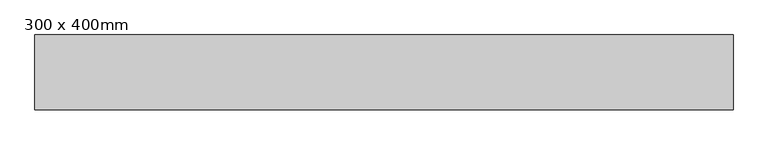
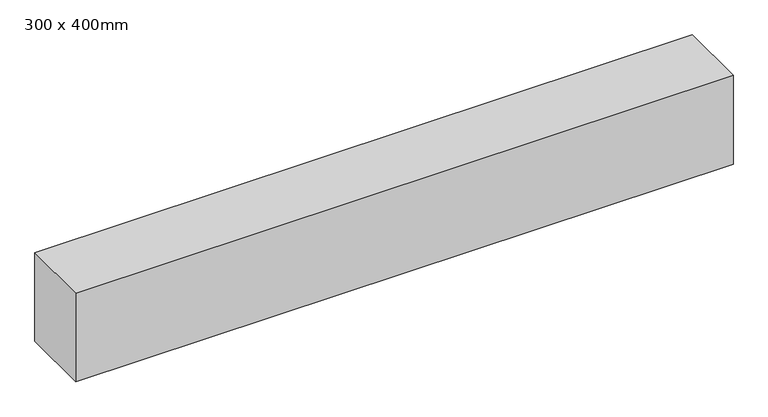
"""IFC4 building model written with IfcOpenShell, lengths in millimetres: beam geometry, 300 x 400mm."""

from ifc_helpers import new_model, si_unit, frame, origin, place, context, project, spatial, polyline, outline, extrude, source, transform, mapped, element, save


def beam_300_x_400mm_73a692c0(model_context):
    return source(origin(), model_context, "Body", "SweptSolid", [
        extrude(outline(polyline([(1401.2, 150.0), (1401.2, -150.0), (-1401.2, -150.0), (-1401.2, 150.0), (1401.2, 150.0)])), frame((0.0, 0.0, -200.0), z_axis=(0.0, 0.0, 1.0), x_axis=(1.0, 0.0, 0.0)), (0.0, 0.0, 1.0), 400.0),
    ])


if __name__ == "__main__":
    model = new_model("IFC4")
    model_context = context("Model", 3, world=origin())
    ifc_project = project(units=[si_unit("LENGTHUNIT", "METRE", prefix="MILLI")], contexts=[model_context])
    site = spatial("IfcSite", under=ifc_project)
    building = spatial("IfcBuilding", under=site)
    placement = place(None, origin())
    beam_300_x_400mm_shape = beam_300_x_400mm_73a692c0(model_context)
    element("IfcBeam", 1, ObjectType="300 x 400mm", at=placement, inside=building, context=model_context, shape_type="MappedRepresentation", body=[
        mapped(beam_300_x_400mm_shape, transform((0.0, 0.0, 0.0), x_axis=(1.0, 0.0, 0.0), y_axis=(0.0, 1.0, 0.0), z_axis=(0.0, 0.0, 1.0))),
    ])
    save(model, "model.ifc")
